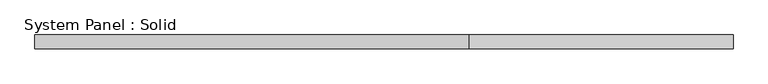
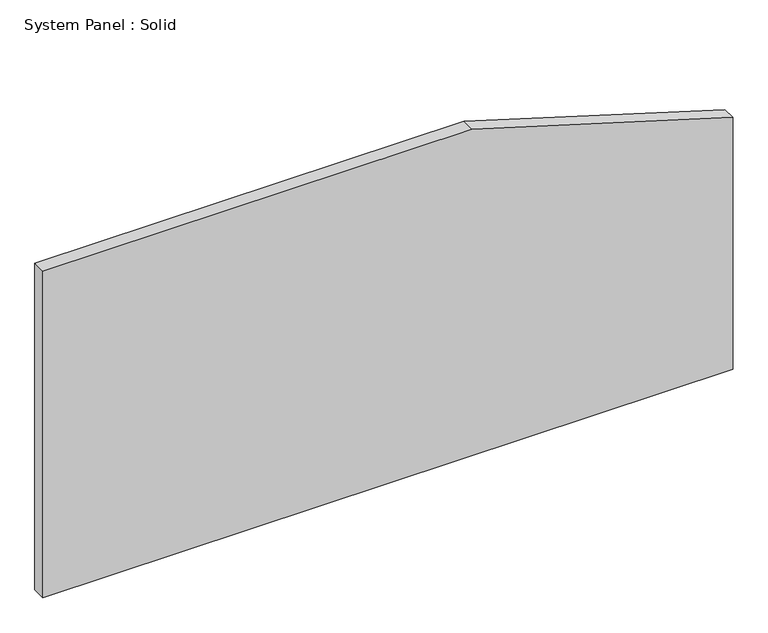
"""IFC4 building model written with IfcOpenShell, lengths in millimetres: plate geometry, System Panel : Solid."""

from ifc_helpers import new_model, si_unit, frame, origin, place, context, project, spatial, polyline, outline, extrude, source, transform, mapped, element, save


def system_panel_solid_4f38024a(model_context):
    return source(origin(), model_context, "Body", "SweptSolid", [
        extrude(outline(polyline([(0.0, -1500.0), (0.0, 1500.0), (1157.0578556, 1500.0), (1500.0, 365.9273379), (1500.0, -1500.0), (0.0, -1500.0)])), frame((0.0, -10.5, 0.0), z_axis=(0.0, 1.0, 0.0), x_axis=(0.0, 0.0, 1.0)), (0.0, 0.0, 1.0), 60.0),
    ])


if __name__ == "__main__":
    model = new_model("IFC4")
    model_context = context("Model", 3, world=origin())
    ifc_project = project(units=[si_unit("LENGTHUNIT", "METRE", prefix="MILLI")], contexts=[model_context])
    site = spatial("IfcSite", under=ifc_project)
    building = spatial("IfcBuilding", under=site)
    placement = place(None, origin())
    system_panel_solid_shape = system_panel_solid_4f38024a(model_context)
    element("IfcPlate", 1, ObjectType="System Panel : Solid", at=placement, inside=building, context=model_context, shape_type="MappedRepresentation", body=[
        mapped(system_panel_solid_shape, transform((0.0, 0.0, 0.0), x_axis=(1.0, 0.0, 0.0), y_axis=(0.0, 1.0, 0.0), z_axis=(0.0, 0.0, 1.0))),
    ])
    save(model, "model.ifc")
